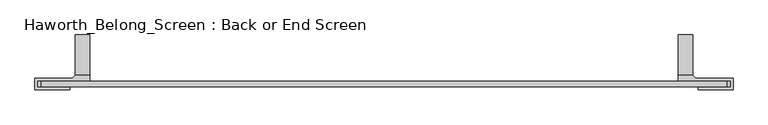
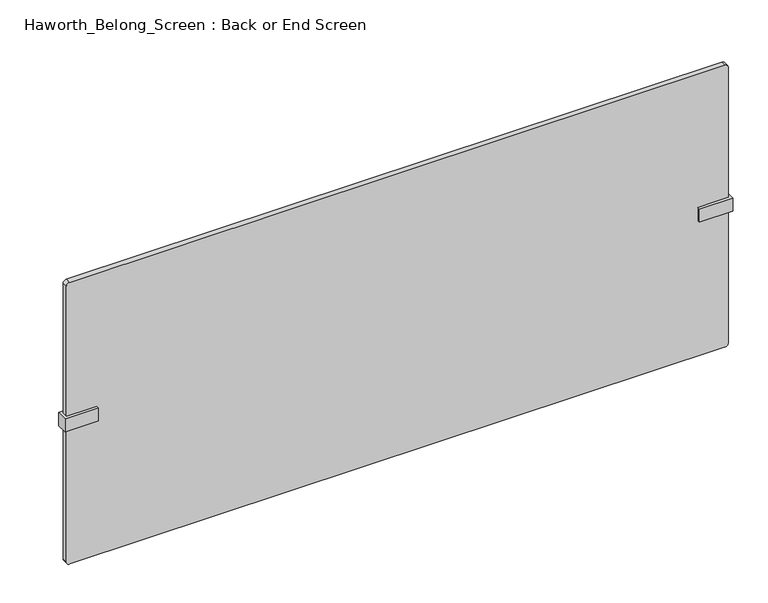
"""IFC4 building model written with IfcOpenShell, lengths in millimetres: furniture geometry, Haworth_Belong_Screen : Back or End Screen."""

from ifc_helpers import new_model, si_unit, point, frame, frame_2d, origin, place, context, project, spatial, polyline, circle_curve, trimmed, segment, composite_curve, outline, extrude, faceted_brep, source, transform, mapped, element, save


def haworth_belong_screen_back_or_end_screen_8f11912d(model_context):
    return source(origin(), model_context, "Body", "SolidModel", [
        faceted_brep([(-680.3645436, 6.35, 700.0875), (-680.3645436, 107.95, 700.0875), (-680.3645436, 107.95, 706.4375), (-680.3645436, 19.05, 706.4375), (-680.3645436, 19.05, 738.1875), (-680.3645436, 6.35, 738.1875), (-712.1145436, 107.95, 706.4375), (-712.1145436, 107.95, 700.0875), (-712.1145436, 6.35, 700.0875), (-712.1145436, 6.35, 706.4375), (-712.1145436, 19.05, 706.4375), (-794.6645436, 6.35, 738.1875), (-794.6645436, 6.35, 706.4375), (-794.6645436, -6.35, 738.1875), (-712.1145436, 19.05, 738.1875), (-718.4645436, 12.7, 738.1875), (-801.0145436, 12.7, 738.1875), (-801.0145436, -12.7, 738.1875), (-724.8145436, -12.7, 738.1875), (-724.8145436, -6.35, 738.1875), (-794.6645436, -6.35, 706.4375), (-724.8145436, -6.35, 706.4375), (-724.8145436, -12.7, 706.4375), (-801.0145436, -12.7, 706.4375), (-801.0145436, 12.7, 706.4375), (-718.4645436, 12.7, 706.4375)], [[[0, 1, 2, 3, 4, 5]], [[6, 7, 8, 9, 10]], [[2, 6, 10, 3]], [[0, 5, 11, 12, 9, 8]], [[1, 0, 8, 7]], [[2, 1, 7, 6]], [[13, 11, 5, 4, 14, 15, 16, 17, 18, 19]], [[20, 21, 22, 23, 24, 25, 10, 9, 12]], [[11, 13, 20, 12]], [[14, 4, 3, 10]], [[15, 14, 10, 25]], [[16, 15, 25, 24]], [[17, 16, 24, 23]], [[18, 17, 23, 22]], [[19, 18, 22, 21]], [[13, 19, 21, 20]]]),
        faceted_brep([(615.0354564, 107.95, 706.4375), (615.0354564, 107.95, 700.0875), (615.0354564, 6.35, 700.0875), (615.0354564, 6.35, 738.1875), (615.0354564, 19.05, 738.1875), (615.0354564, 19.05, 706.4375), (646.7854564, 6.35, 706.4375), (646.7854564, 6.35, 700.0875), (646.7854564, 107.95, 700.0875), (646.7854564, 107.95, 706.4375), (646.7854564, 19.05, 706.4375), (729.3354564, 6.35, 706.4375), (729.3354564, 6.35, 738.1875), (729.3354564, -6.35, 738.1875), (659.4854564, -6.35, 738.1875), (659.4854564, -12.7, 738.1875), (735.6854564, -12.7, 738.1875), (735.6854564, 12.7, 738.1875), (653.1354564, 12.7, 738.1875), (646.7854564, 19.05, 738.1875), (653.1354564, 12.7, 706.4375), (735.6854564, 12.7, 706.4375), (735.6854564, -12.7, 706.4375), (659.4854564, -12.7, 706.4375), (659.4854564, -6.35, 706.4375), (729.3354564, -6.35, 706.4375)], [[[0, 1, 2, 3, 4, 5]], [[6, 7, 8, 9, 10]], [[1, 0, 9, 8]], [[2, 1, 8, 7]], [[3, 2, 7, 6, 11, 12]], [[9, 0, 5, 10]], [[12, 13, 14, 15, 16, 17, 18, 19, 4, 3]], [[10, 20, 21, 22, 23, 24, 25, 11, 6]], [[18, 17, 21, 20]], [[17, 16, 22, 21]], [[16, 15, 23, 22]], [[15, 14, 24, 23]], [[14, 13, 25, 24]], [[13, 12, 11, 25]], [[4, 19, 10, 5]], [[19, 18, 20, 10]]]),
        extrude(outline(composite_curve([segment(polyline([(1062.0375, 721.3979564), (1062.0375, -786.7270436)]), True, "CONTINUOUS"), segment(trimmed(circle_curve(frame_2d((1054.1, -786.7270436)), 7.9375), [point((1062.0375, -786.7270436))], [point((1054.1, -794.6645436))], False, "CARTESIAN"), True, "CONTINUOUS"), segment(polyline([(1054.1, -794.6645436), (384.175, -794.6645436)]), True, "CONTINUOUS"), segment(trimmed(circle_curve(frame_2d((384.175, -786.7270436)), 7.9375), [point((384.175, -794.6645436))], [point((376.2375, -786.7270436))], False, "CARTESIAN"), True, "CONTINUOUS"), segment(polyline([(376.2375, -786.7270436), (376.2375, 721.3979564)]), True, "CONTINUOUS"), segment(trimmed(circle_curve(frame_2d((384.175, 721.3979564)), 7.9375), [point((376.2375, 721.3979564))], [point((384.175, 729.3354564))], False, "CARTESIAN"), True, "CONTINUOUS"), segment(polyline([(384.175, 729.3354564), (1054.1, 729.3354564)]), True, "CONTINUOUS"), segment(trimmed(circle_curve(frame_2d((1054.1, 721.3979564)), 7.9375), [point((1054.1, 729.3354564))], [point((1062.0375, 721.3979564))], False, "CARTESIAN"), True, "CONTINUOUS")], self_intersect=False)), frame((0.0, -6.35, 0.0), z_axis=(0.0, 1.0, 0.0), x_axis=(0.0, 0.0, 1.0)), (0.0, 0.0, 1.0), 12.7),
    ])


if __name__ == "__main__":
    model = new_model("IFC4")
    model_context = context("Model", 3, world=origin())
    ifc_project = project(units=[si_unit("LENGTHUNIT", "METRE", prefix="MILLI")], contexts=[model_context])
    site = spatial("IfcSite", under=ifc_project)
    building = spatial("IfcBuilding", under=site)
    placement = place(None, origin())
    haworth_belong_screen_back_or_end_screen_shape = haworth_belong_screen_back_or_end_screen_8f11912d(model_context)
    element("IfcFurniture", 1, ObjectType="Haworth_Belong_Screen : Back or End Screen", at=placement, inside=building, context=model_context, shape_type="MappedRepresentation", body=[
        mapped(haworth_belong_screen_back_or_end_screen_shape, transform((0.0, 0.0, 0.0), x_axis=(1.0, 0.0, 0.0), y_axis=(0.0, 1.0, 0.0), z_axis=(0.0, 0.0, 1.0))),
    ])
    save(model, "model.ifc")
